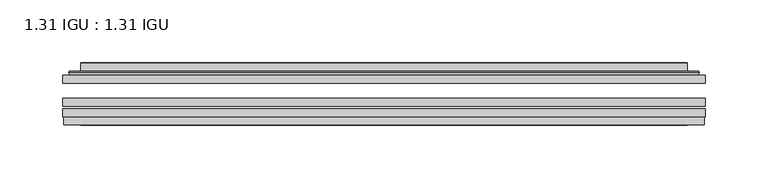
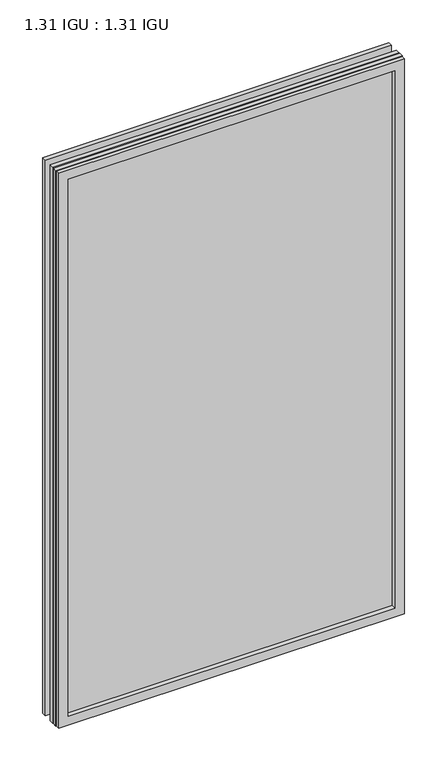
"""IFC4 building model written with IfcOpenShell, lengths in millimetres: plate geometry, 1.31 IGU : 1.31 IGU."""

import ifcopenshell
import ifcopenshell.guid

model = None  # the IFC model being written
_history = None  # IfcOwnerHistory: only IFC2X3 demands one
_inside = {}  # id of a spatial element -> (the spatial element, [elements in it])
_under = {}  # id of a project, library or spatial element -> (it, [spatial elements below it])
_declared = {}  # id of a project -> (the project, [libraries it declares])
_typed = {}  # id of a type object -> (the type object, [elements of that type])
_made_of = {}  # id of a material, layer set ... -> (it, [elements and type objects made of it])


def new_model(schema):
    """Start an empty IFC model of exactly this schema.

    Asked for "IFC4X3", IfcOpenShell would pick the latest addendum, in which some entities
    have other attributes; the version numbers below select the first issue.
    IFC2X3 requires an IfcOwnerHistory on every rooted entity: one is made here for all.
    """
    global model, _history
    if schema == "IFC4X3":
        model = ifcopenshell.file(schema_version=(4, 3, 0, 0))
    else:
        model = ifcopenshell.file(schema=schema)
    _inside.clear()
    _under.clear()
    _declared.clear()
    _typed.clear()
    _made_of.clear()
    _history = None
    if model.schema == "IFC2X3":
        org = make("IfcOrganization", Name="unknown")
        user = make(
            "IfcPersonAndOrganization",
            ThePerson=make("IfcPerson", FamilyName="unknown"),
            TheOrganization=org,
        )
        app = make(
            "IfcApplication",
            ApplicationDeveloper=org,
            Version="unknown",
            ApplicationFullName="unknown",
            ApplicationIdentifier="unknown",
        )
        _history = make(
            "IfcOwnerHistory",
            OwningUser=user,
            OwningApplication=app,
            ChangeAction="ADDED",
            CreationDate=0,
        )
    return model


def make(cls, **values):
    """One entity of the class cls with the attributes given. An attribute that is None is left unset."""
    return model.create_entity(
        cls, **{name: value for name, value in values.items() if value is not None}
    )


def rooted(cls, **values):
    """An entity with a GlobalId (a new one), such as an element, a storey or a relation."""
    return make(cls, GlobalId=ifcopenshell.guid.new(), OwnerHistory=_history, **values)


def si_unit(unit_type, name, prefix=None):
    """IfcSIUnit, for example si_unit("LENGTHUNIT", "METRE", prefix="MILLI")."""
    return make("IfcSIUnit", UnitType=unit_type, Prefix=prefix, Name=name)


def assignment(units):
    """IfcUnitAssignment: the units of a project."""
    return None if units is None else make("IfcUnitAssignment", Units=units)


def point(xyz):
    """IfcCartesianPoint."""
    return None if xyz is None else make("IfcCartesianPoint", Coordinates=xyz)


def direction(xyz):
    """IfcDirection."""
    return None if xyz is None else make("IfcDirection", DirectionRatios=xyz)


def frame(location, z_axis=None, x_axis=None):
    """IfcAxis2Placement3D, a coordinate frame: its origin and axes. An axis left out is left unset."""
    return make(
        "IfcAxis2Placement3D",
        Location=point(location),
        Axis=direction(z_axis),
        RefDirection=direction(x_axis),
    )


def origin():
    """The frame at (0, 0, 0) with its axes left unset."""
    return frame((0.0, 0.0, 0.0))


def place(relative_to, where):
    """IfcLocalPlacement: puts the frame where relative to a parent placement (None: the world)."""
    return make(
        "IfcLocalPlacement", PlacementRelTo=relative_to, RelativePlacement=where
    )


def context(
    kind, dimensions, precision=None, world=None, true_north=None, identifier=None
):
    """IfcGeometricRepresentationContext, for example the 3D "Model" context."""
    return make(
        "IfcGeometricRepresentationContext",
        ContextIdentifier=identifier,
        ContextType=kind,
        CoordinateSpaceDimension=dimensions,
        Precision=precision,
        WorldCoordinateSystem=world,
        TrueNorth=true_north,
    )


def project(units=None, contexts=None):
    """IfcProject with its units and contexts."""
    return rooted(
        "IfcProject",
        Name="project",
        RepresentationContexts=contexts,
        UnitsInContext=assignment(units),
    )


def spatial(cls, under=None, at=None, **own):
    """A site, building, storey or space (cls), placed at a placement, below another one or the project."""
    s = rooted(cls, ObjectPlacement=at, **own)
    if under is not None:
        _under.setdefault(under.id(), (under, []))[1].append(s)
    return s


def polyline(points):
    """IfcPolyline through the points."""
    return make("IfcPolyline", Points=[point(p) for p in points])


def ellipse_curve(where, semi_axis1, semi_axis2):
    """IfcEllipse in the frame where."""
    return make(
        "IfcEllipse", Position=where, SemiAxis1=semi_axis1, SemiAxis2=semi_axis2
    )


def outline(outer, holes=None, kind="AREA"):
    """IfcArbitraryClosedProfileDef: a profile drawn as a closed curve; with holes, ...WithVoids."""
    if holes is None:
        return make("IfcArbitraryClosedProfileDef", ProfileType=kind, OuterCurve=outer)
    return make(
        "IfcArbitraryProfileDefWithVoids",
        ProfileType=kind,
        OuterCurve=outer,
        InnerCurves=holes,
    )


def extrude(swept, where, along, depth):
    """IfcExtrudedAreaSolid: the profile swept, set in the frame where, extruded along a direction by depth."""
    return make(
        "IfcExtrudedAreaSolid",
        SweptArea=swept,
        Position=where,
        ExtrudedDirection=direction(along),
        Depth=depth,
    )


def faces_of(points, faces, orient=None, outer=None):
    """IfcFace entities. A face is a list of loops; a loop is a list of indices into points, from 0.

    orient and outer hold one flag for each loop. By default every Orientation is true, the
    first loop of a face is its IfcFaceOuterBound and the others are IfcFaceBound.
    """
    made = []
    for i, loops in enumerate(faces):
        bounds = []
        for j, loop in enumerate(loops):
            is_outer = j == 0 if outer is None else outer[i][j]
            bounds.append(
                make(
                    "IfcFaceOuterBound" if is_outer else "IfcFaceBound",
                    Bound=make("IfcPolyLoop", Polygon=[points[k] for k in loop]),
                    Orientation=True if orient is None else orient[i][j],
                )
            )
        made.append(make("IfcFace", Bounds=bounds))
    return made


def faceted_brep(points, faces, orient=None, outer=None, voids=None):
    """IfcFacetedBrep: a solid bounded by flat faces; with voids (closed shells), ...WithVoids."""
    shared = [point(p) for p in points]
    hull = make("IfcClosedShell", CfsFaces=faces_of(shared, faces, orient, outer))
    if voids is None:
        return make("IfcFacetedBrep", Outer=hull)
    return make(
        "IfcFacetedBrepWithVoids",
        Outer=hull,
        Voids=[
            make(cls, CfsFaces=faces_of(shared, fs, o, b)) for cls, fs, o, b in voids
        ],
    )


def shape(context_of_items, identifier, shape_type, items):
    """IfcShapeRepresentation: the items that make up one representation, for example the "Body"."""
    return make(
        "IfcShapeRepresentation",
        ContextOfItems=context_of_items,
        RepresentationIdentifier=identifier,
        RepresentationType=shape_type,
        Items=items,
    )


def source(mapping_origin, context_of_items, identifier, shape_type, items):
    """IfcRepresentationMap: a shape defined once, which mapped items show again and again."""
    return make(
        "IfcRepresentationMap",
        MappingOrigin=mapping_origin,
        MappedRepresentation=shape(context_of_items, identifier, shape_type, items),
    )


def transform(
    local_origin,
    x_axis=None,
    y_axis=None,
    z_axis=None,
    scale=None,
    scale2=None,
    scale3=None,
    uniform=True,
):
    """IfcCartesianTransformationOperator3D, or its non-uniform kind. x_axis, y_axis, z_axis: its Axis1, 2, 3."""
    if uniform:
        return make(
            "IfcCartesianTransformationOperator3D",
            Axis1=direction(x_axis),
            Axis2=direction(y_axis),
            LocalOrigin=point(local_origin),
            Scale=scale,
            Axis3=direction(z_axis),
        )
    return make(
        "IfcCartesianTransformationOperator3DnonUniform",
        Axis1=direction(x_axis),
        Axis2=direction(y_axis),
        LocalOrigin=point(local_origin),
        Scale=scale,
        Axis3=direction(z_axis),
        Scale2=scale2,
        Scale3=scale3,
    )


def mapped(mapping_source, mapping_target):
    """IfcMappedItem: shows the shape of a source again, moved by a transform."""
    return make(
        "IfcMappedItem", MappingSource=mapping_source, MappingTarget=mapping_target
    )


def made_of(thing, what):
    """Note that an element or type object is made of a material, layer set ...; save() writes the relation."""
    if what is not None:
        _made_of.setdefault(what.id(), (what, []))[1].append(thing)
    return thing


def element(
    cls,
    number,
    at=None,
    inside=None,
    cuts=None,
    type_object=None,
    material=None,
    context=None,
    identifier="Body",
    shape_type=None,
    held_by="IfcProductDefinitionShape",
    body=None,
    shapes=None,
    **own,
):
    """One element of the class cls, such as IfcWall. Its Tag is "e" and its number.

    at: its placement. inside: the storey or other place that contains it. cuts: it is an
    opening in that element (IfcRelVoidsElement). A single representation is given by context,
    identifier, shape_type and body (its items); several are given by shapes. held_by: the class
    of the entity that holds the representations. save() writes the other relations.
    """
    e = rooted(cls, Tag="e%d" % number, ObjectPlacement=at, **own)
    if body is not None:
        shapes = [shape(context, identifier, shape_type, body)]
    if shapes is not None:
        e.Representation = make(held_by, Representations=shapes)
    if inside is not None:
        _inside.setdefault(inside.id(), (inside, []))[1].append(e)
    if cuts is not None:
        rooted(
            "IfcRelVoidsElement", RelatingBuildingElement=cuts, RelatedOpeningElement=e
        )
    if type_object is not None:
        _typed.setdefault(type_object.id(), (type_object, []))[1].append(e)
    return made_of(e, material)


def aggregate(whole, parts):
    """IfcRelAggregates: a whole, such as a stair, and the parts it consists of."""
    return rooted("IfcRelAggregates", RelatingObject=whole, RelatedObjects=parts)


def save(model, path):
    """Write the relations noted so far, then the file.

    IfcRelAggregates (storeys below a building ...), IfcRelContainedInSpatialStructure (elements
    in a storey), IfcRelDefinesByType, IfcRelAssociatesMaterial and IfcRelDeclares: one each for
    every whole, place, type object, material and project.
    """
    for whole, parts in _under.values():
        aggregate(whole, parts)
    for where, things in _inside.values():
        rooted(
            "IfcRelContainedInSpatialStructure",
            RelatedElements=things,
            RelatingStructure=where,
        )
    for kind, things in _typed.values():
        rooted("IfcRelDefinesByType", RelatedObjects=things, RelatingType=kind)
    for what, things in _made_of.values():
        rooted("IfcRelAssociatesMaterial", RelatedObjects=things, RelatingMaterial=what)
    for by, libraries in _declared.values():
        rooted("IfcRelDeclares", RelatingContext=by, RelatedDefinitions=libraries)
    model.write(path)


def plane_surface(at):
    """IfcPlane: the flat surface through the origin of the frame at, square to its z axis."""
    return make("IfcPlane", Position=at)


def cylinder_surface(at, radius):
    """IfcCylindricalSurface: all points at the distance radius from the z axis of the frame at."""
    return make("IfcCylindricalSurface", Position=at, Radius=radius)


def advanced_brep(points, edges, surfaces, faces):
    """IfcAdvancedBrep: a solid bounded by faces that lie on surfaces and meet in shared edges.

    An edge is (start, end): straight between two places in points (the first is 0);
    or (start, end, curve); or (start, end, curve, False) where it runs against its curve.
    A face is (place in surfaces, loops), or (place, loops, False) where it looks against
    its surface's normal. A loop lists edges by number (the first is 1), with a minus sign
    where the edge is run from its end to its start. The first loop is the outer one.
    """
    corners = [point(p) for p in points]
    vertices = [make("IfcVertexPoint", VertexGeometry=c) for c in corners]
    made = []
    for start, end, *more in edges:
        made.append(
            make(
                "IfcEdgeCurve",
                EdgeStart=vertices[start],
                EdgeEnd=vertices[end],
                EdgeGeometry=more[0] if more else make("IfcPolyline", Points=[corners[start], corners[end]]),
                SameSense=more[1] if len(more) > 1 else True,
            )
        )
    hull = []
    for where, loops, *sense in faces:
        bounds = []
        for j, loop in enumerate(loops):
            ring = [make("IfcOrientedEdge", EdgeElement=made[abs(k) - 1], Orientation=k > 0) for k in loop]
            bounds.append(
                make(
                    "IfcFaceOuterBound" if j == 0 else "IfcFaceBound",
                    Bound=make("IfcEdgeLoop", EdgeList=ring),
                    Orientation=True,
                )
            )
        hull.append(make("IfcAdvancedFace", Bounds=bounds, FaceSurface=surfaces[where], SameSense=sense[0] if sense else True))
    return make("IfcAdvancedBrep", Outer=make("IfcClosedShell", CfsFaces=hull))


def plate_1_31_igu_1_31_igu_f56f7a06(model_context):
    return source(origin(), model_context, "Body", "SolidModel", [
        extrude(outline(polyline([(255.601675, -63.59525), (255.601675, -69.94525), (-255.5875, -69.94525), (-255.5875, -63.59525), (255.601675, -63.59525)])), frame((0.0, 0.0, -14.2875), z_axis=(0.0, 0.0, 1.0), x_axis=(1.0, 0.0, 0.0)), (0.0, 0.0, 1.0), 866.7787979),
        extrude(outline(polyline([(-255.5875, -78.58125), (-255.5875, -72.230745), (255.601675, -72.230745), (255.601675, -78.58125), (-255.5875, -78.58125)])), frame((0.0, 0.0, -14.2875), z_axis=(0.0, 0.0, 1.0), x_axis=(1.0, 0.0, 0.0)), (0.0, 0.0, 1.0), 866.7787979),
        extrude(outline(polyline([(255.601675, -45.25645), (255.601675, -51.60645), (-255.5875, -51.60645), (-255.5875, -45.25645), (255.601675, -45.25645)])), frame((0.0, 0.0, -14.2875), z_axis=(0.0, 0.0, 1.0), x_axis=(1.0, 0.0, 0.0)), (0.0, 0.0, 1.0), 866.7787979),
        faceted_brep([(-254.8873142, -84.93125, 851.7873142), (-254.8873142, -78.58125, 851.7873142), (-254.8873142, -78.58125, -13.5873142), (-254.8873142, -84.93125, -13.5873142), (254.8873142, -78.58125, -13.5873142), (254.8873142, -84.93125, -13.5873142), (254.8873142, -78.58125, 851.7873142), (254.8873142, -84.93125, 851.7873142), (-240.4022559, -78.58125, 0.8977441), (240.4022559, -78.58125, 0.8977441), (240.4022559, -78.58125, 837.3022559), (-240.4022559, -78.58125, 837.3022559), (-241.2946902, -84.93125, 838.1946902), (241.2946902, -84.93125, 838.1946902), (241.2946902, -84.93125, 0.0053098), (-241.2946902, -84.93125, 0.0053098)], [[[0, 1, 2, 3]], [[3, 2, 4, 5]], [[5, 4, 6, 7]], [[1, 6, 4, 2], [8, 9, 10, 11]], [[7, 6, 1, 0]], [[3, 5, 7, 0], [12, 13, 14, 15]], [[11, 12, 15, 8]], [[8, 15, 14, 9]], [[9, 14, 13, 10]], [[10, 13, 12, 11]]]),
        advanced_brep(
        [(-248.346219, -45.25645, 845.246219), (-250.7004244, -43.2667833, 847.6004244), (-250.7004244, -43.2667833, -9.4004244), (-248.346219, -45.25645, -7.046219), (-239.2718939, -41.416413, 836.1718939), (-234.3370621, -45.25645, 831.2370621), (-234.3370621, -45.25645, 6.9629379), (-239.2718939, -41.416413, 2.0281061), (-240.3039217, -36.0191819, 837.2039217), (-240.3039217, -36.0191819, 0.9960783), (-241.2945784, -35.6202069, 838.1945784), (-241.2945784, -35.6202069, 0.0054216), (-241.2945784, -42.08145, 838.1945784), (-241.2945784, -42.08145, 0.0054216), (-249.6986349, -42.08145, 846.5986349), (-249.6986349, -42.08145, -8.3986349), (250.7004244, -43.2667833, -9.4004244), (248.346219, -45.25645, -7.046219), (234.3370621, -45.25645, 6.9629379), (239.2718939, -41.416413, 2.0281061), (240.3039217, -36.0191819, 0.9960783), (241.2945784, -35.6202069, 0.0054216), (241.2945784, -42.08145, 0.0054216), (249.6986349, -42.08145, -8.3986349), (250.7004244, -43.2667833, 847.6004244), (248.346219, -45.25645, 845.246219), (234.3370621, -45.25645, 831.2370621), (239.2718939, -41.416413, 836.1718939), (240.3039217, -36.0191819, 837.2039217), (241.2945784, -35.6202069, 838.1945784), (241.2945784, -42.08145, 838.1945784), (249.6986349, -42.08145, 846.5986349)],
        [
            (0, 1, ellipse_curve(frame((-248.346219, -42.86885, 845.246219), z_axis=(-0.7071067811865475, 0.0, -0.7071067811865475), x_axis=(-0.7071067811865474, 0.0, 0.7071067811865476)), 3.3765763, 2.3876)),
            (1, 2),
            (2, 3, ellipse_curve(frame((-248.346219, -42.86885, -7.046219), z_axis=(-0.7071067811865475, 0.0, 0.7071067811865475), x_axis=(0.7071067811865474, 0.0, 0.7071067811865476)), 3.3765763, 2.3876)),
            (3, 0),
            (4, 5),
            (5, 6),
            (6, 7),
            (7, 4),
            (8, 4),
            (7, 9),
            (9, 8),
            (10, 8, ellipse_curve(frame((-240.9276219, -36.1384423, 837.8276219), z_axis=(-0.7071067811865475, 0.0, -0.7071067811865475), x_axis=(-0.7071067811865474, 0.0, 0.7071067811865476)), 0.8980256, 0.635)),
            (9, 11, ellipse_curve(frame((-240.9276219, -36.1384423, 0.3723781), z_axis=(-0.7071067811865475, 0.0, 0.7071067811865475), x_axis=(0.7071067811865474, 0.0, 0.7071067811865476)), 0.8980256, 0.635)),
            (11, 10),
            (12, 10),
            (11, 13),
            (13, 12),
            (1, 14, ellipse_curve(frame((-249.6986349, -43.09745, 846.5986349), z_axis=(-0.7071067811865475, 0.0, -0.7071067811865475), x_axis=(-0.7071067811865474, 0.0, 0.7071067811865476)), 1.436841, 1.016)),
            (14, 15),
            (15, 2, ellipse_curve(frame((-249.6986349, -43.09745, -8.3986349), z_axis=(-0.7071067811865475, 0.0, 0.7071067811865475), x_axis=(0.7071067811865474, 0.0, 0.7071067811865476)), 1.436841, 1.016)),
            (2, 16),
            (16, 17, ellipse_curve(frame((248.346219, -42.86885, -7.046219), z_axis=(-0.7071067811865475, 0.0, -0.7071067811865475), x_axis=(-0.7071067811865476, 0.0, 0.7071067811865474)), 3.3765763, 2.3876)),
            (17, 3),
            (6, 18),
            (18, 19),
            (19, 7),
            (19, 20),
            (20, 9),
            (20, 21, ellipse_curve(frame((240.9276219, -36.1384423, 0.3723781), z_axis=(-0.7071067811865475, 0.0, -0.7071067811865475), x_axis=(-0.7071067811865476, 0.0, 0.7071067811865474)), 0.8980256, 0.635)),
            (21, 11),
            (21, 22),
            (22, 13),
            (15, 23),
            (23, 16, ellipse_curve(frame((249.6986349, -43.09745, -8.3986349), z_axis=(-0.7071067811865475, 0.0, -0.7071067811865475), x_axis=(-0.7071067811865476, 0.0, 0.7071067811865474)), 1.436841, 1.016)),
            (16, 24),
            (24, 25, ellipse_curve(frame((248.346219, -42.86885, 845.246219), z_axis=(0.7071067811865475, 0.0, -0.7071067811865475), x_axis=(-0.7071067811865474, 0.0, -0.7071067811865476)), 3.3765763, 2.3876)),
            (25, 17),
            (18, 26),
            (26, 27),
            (27, 19),
            (27, 28),
            (28, 20),
            (28, 29, ellipse_curve(frame((240.9276219, -36.1384423, 837.8276219), z_axis=(0.7071067811865475, 0.0, -0.7071067811865475), x_axis=(-0.7071067811865474, 0.0, -0.7071067811865476)), 0.8980256, 0.635)),
            (29, 21),
            (29, 30),
            (30, 22),
            (23, 31),
            (31, 24, ellipse_curve(frame((249.6986349, -43.09745, 846.5986349), z_axis=(0.7071067811865475, 0.0, -0.7071067811865475), x_axis=(-0.7071067811865474, 0.0, -0.7071067811865476)), 1.436841, 1.016)),
            (24, 1),
            (0, 25),
            (5, 26),
            (4, 27),
            (8, 28),
            (10, 29),
            (12, 30),
            (14, 31),
        ],
        [
            cylinder_surface(frame((-248.346219, -42.86885, 869.95), z_axis=(0.0, 0.0, 1.0), x_axis=(-1.0, 0.0, 0.0)), 2.3876),
            plane_surface(frame((-234.3370621, -45.25645, 831.2370621), z_axis=(0.6141233906514794, 0.7892100234124821, 0.0), x_axis=(0.0, 0.0, -1.0))),
            plane_surface(frame((-239.2718939, -41.416413, 836.1718939), z_axis=(0.9822050625507729, 0.18781164793386076, 0.0), x_axis=(0.0, 0.0, -1.0))),
            cylinder_surface(frame((-240.9276219, -36.1384423, 869.95), z_axis=(0.0, 0.0, 1.0), x_axis=(-1.0, 0.0, 0.0)), 0.635),
            plane_surface(frame((-241.2945784, -35.6202069, 838.1945784), z_axis=(-1.0, 0.0, 0.0), x_axis=(0.0, 0.0, -1.0))),
            cylinder_surface(frame((-249.6986349, -43.09745, 869.95), z_axis=(0.0, 0.0, 1.0), x_axis=(-1.0, 0.0, 0.0)), 1.016),
            cylinder_surface(frame((-273.05, -42.86885, -7.046219), z_axis=(-1.0, 0.0, 0.0), x_axis=(0.0, 0.0, -1.0)), 2.3876),
            plane_surface(frame((-234.3370621, -45.25645, 6.9629379), z_axis=(0.0, 0.7892100234124841, 0.6141233906514768), x_axis=(1.0, 0.0, 0.0))),
            plane_surface(frame((-239.2718939, -41.416413, 2.0281061), z_axis=(0.0, 0.18781164793386393, 0.9822050625507723), x_axis=(1.0, 0.0, 0.0))),
            cylinder_surface(frame((-273.05, -36.1384423, 0.3723781), z_axis=(-1.0, 0.0, 0.0), x_axis=(0.0, 0.0, -1.0)), 0.635),
            plane_surface(frame((-241.2945784, -35.6202069, 0.0054216), z_axis=(0.0, 0.0, -1.0), x_axis=(1.0, 0.0, 0.0))),
            cylinder_surface(frame((-273.05, -43.09745, -8.3986349), z_axis=(-1.0, 0.0, 0.0), x_axis=(0.0, 0.0, -1.0)), 1.016),
            cylinder_surface(frame((248.346219, -42.86885, -31.75), z_axis=(0.0, 0.0, -1.0), x_axis=(1.0, 0.0, 0.0)), 2.3876),
            plane_surface(frame((234.3370621, -45.25645, 6.9629379), z_axis=(-0.6141233906514743, 0.7892100234124861, 0.0), x_axis=(0.0, 0.0, 1.0))),
            plane_surface(frame((239.2718939, -41.416413, 2.0281061), z_axis=(-0.9822050625507718, 0.1878116479338671, 0.0), x_axis=(0.0, 0.0, 1.0))),
            cylinder_surface(frame((240.9276219, -36.1384423, -31.75), z_axis=(0.0, 0.0, -1.0), x_axis=(1.0, 0.0, 0.0)), 0.635),
            plane_surface(frame((241.2945784, -35.6202069, 0.0054216), z_axis=(1.0, 0.0, 0.0), x_axis=(0.0, 0.0, 1.0))),
            cylinder_surface(frame((249.6986349, -43.09745, -31.75), z_axis=(0.0, 0.0, -1.0), x_axis=(1.0, 0.0, 0.0)), 1.016),
            cylinder_surface(frame((273.05, -42.86885, 845.246219), z_axis=(1.0, 0.0, 0.0), x_axis=(0.0, 0.0, 1.0)), 2.3876),
            plane_surface(frame((248.346219, -45.25645, 845.246219), z_axis=(0.0, -1.0, 0.0), x_axis=(-1.0, 0.0, 0.0))),
            plane_surface(frame((234.3370621, -45.25645, 831.2370621), z_axis=(0.0, 0.7892100234124841, -0.6141233906514768), x_axis=(-1.0, 0.0, 0.0))),
            plane_surface(frame((239.2718939, -41.416413, 836.1718939), z_axis=(0.0, 0.18781164793386393, -0.9822050625507723), x_axis=(-1.0, 0.0, 0.0))),
            cylinder_surface(frame((273.05, -36.1384423, 837.8276219), z_axis=(1.0, 0.0, 0.0), x_axis=(0.0, 0.0, 1.0)), 0.635),
            plane_surface(frame((241.2945784, -35.6202069, 838.1945784), z_axis=(0.0, 0.0, 1.0), x_axis=(-1.0, 0.0, 0.0))),
            plane_surface(frame((241.2945784, -42.08145, 838.1945784), z_axis=(0.0, 1.0, 0.0), x_axis=(-1.0, 0.0, 0.0))),
            cylinder_surface(frame((273.05, -43.09745, 846.5986349), z_axis=(1.0, 0.0, 0.0), x_axis=(0.0, 0.0, 1.0)), 1.016),
        ],
        [
            (0, [[1, 2, 3, 4]]),
            (1, [[5, 6, 7, 8]]),
            (2, [[9, -8, 10, 11]]),
            (3, [[12, -11, 13, 14]]),
            (4, [[15, -14, 16, 17]]),
            (5, [[18, 19, 20, -2]]),
            (6, [[-3, 21, 22, 23]]),
            (7, [[-7, 24, 25, 26]]),
            (8, [[-10, -26, 27, 28]]),
            (9, [[-13, -28, 29, 30]]),
            (10, [[-16, -30, 31, 32]]),
            (11, [[-20, 33, 34, -21]]),
            (12, [[-22, 35, 36, 37]]),
            (13, [[-25, 38, 39, 40]]),
            (14, [[-27, -40, 41, 42]]),
            (15, [[-29, -42, 43, 44]]),
            (16, [[-31, -44, 45, 46]]),
            (17, [[-34, 47, 48, -35]]),
            (18, [[-36, 49, -1, 50]]),
            (19, [[-23, -37, -50, -4], [51, -38, -24, -6]]),
            (20, [[-39, -51, -5, 52]]),
            (21, [[-41, -52, -9, 53]]),
            (22, [[-43, -53, -12, 54]]),
            (23, [[-45, -54, -15, 55]]),
            (24, [[56, -47, -33, -19], [-32, -46, -55, -17]]),
            (25, [[-48, -56, -18, -49]]),
        ],
    ),
    ])


if __name__ == "__main__":
    model = new_model("IFC4")
    model_context = context("Model", 3, world=origin())
    ifc_project = project(units=[si_unit("LENGTHUNIT", "METRE", prefix="MILLI")], contexts=[model_context])
    site = spatial("IfcSite", under=ifc_project)
    building = spatial("IfcBuilding", under=site)
    placement = place(None, origin())
    plate_1_31_igu_1_31_igu_shape = plate_1_31_igu_1_31_igu_f56f7a06(model_context)
    element("IfcPlate", 1, ObjectType="1.31 IGU : 1.31 IGU", at=placement, inside=building, context=model_context, shape_type="MappedRepresentation", body=[
        mapped(plate_1_31_igu_1_31_igu_shape, transform((0.0, 0.0, 0.0), x_axis=(1.0, 0.0, 0.0), y_axis=(0.0, 1.0, 0.0), z_axis=(0.0, 0.0, 1.0))),
    ])
    save(model, "model.ifc")
